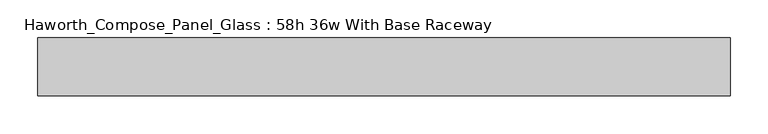
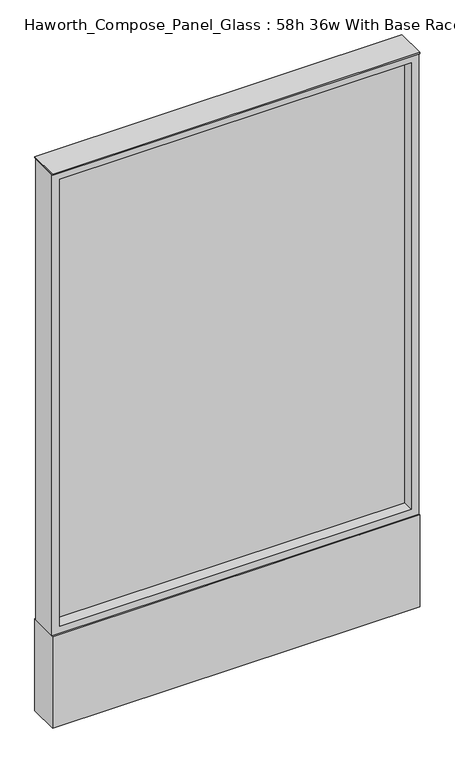
"""IFC4 building model written with IfcOpenShell, lengths in millimetres: furniture geometry, Haworth_Compose_Panel_Glass : 58h 36w With Base Raceway."""

from ifc_helpers import new_model, si_unit, point, frame, frame_2d, origin, origin_with_axes, place, context, project, spatial, polyline, circle_curve, trimmed, segment, composite_curve, outline, extrude, source, transform, mapped, element, save


def haworth_compose_panel_glass_58h_36w_with_base_raceway_823b5fac(model_context):
    return source(origin(), model_context, "Body", "SweptSolid", [
        extrude(outline(composite_curve([segment(trimmed(circle_curve(frame_2d((383.4402902, 0.0)), 12.7), [point((370.7402902, 0.0))], [point((396.1402902, 0.0))], False, "CARTESIAN"), True, "CONTINUOUS"), segment(trimmed(circle_curve(frame_2d((383.4402902, 0.0)), 12.7), [point((396.1402902, 0.0))], [point((370.7402902, 0.0))], False, "CARTESIAN"), True, "CONTINUOUS")], self_intersect=False)), origin_with_axes(), (0.0, 0.0, 1.0), 12.7),
        extrude(outline(composite_curve([segment(trimmed(circle_curve(frame_2d((-378.5597098, 0.0)), 12.7), [point((-391.2597098, 0.0))], [point((-365.8597098, 0.0))], False, "CARTESIAN"), True, "CONTINUOUS"), segment(trimmed(circle_curve(frame_2d((-378.5597098, 0.0)), 12.7), [point((-365.8597098, 0.0))], [point((-391.2597098, 0.0))], False, "CARTESIAN"), True, "CONTINUOUS")], self_intersect=False)), origin_with_axes(), (0.0, 0.0, 1.0), 12.7),
        extrude(outline(polyline([(440.5902902, -6.35), (-435.7097098, -6.35), (-435.7097098, 6.35), (440.5902902, 6.35), (440.5902902, -6.35)])), frame((0.0, 0.0, 273.05), z_axis=(0.0, 0.0, 1.0), x_axis=(1.0, 0.0, 0.0)), (0.0, 0.0, 1.0), 1174.75),
        extrude(outline(polyline([(1466.85, -454.7597098), (254.0, -454.7597098), (254.0, 459.6402902), (1466.85, 459.6402902), (1466.85, -454.7597098)]), holes=[polyline([(1447.8, 440.5902902), (273.05, 440.5902902), (273.05, -435.7097098), (1447.8, -435.7097098), (1447.8, 440.5902902)])]), frame((0.0, -34.925, 0.0), z_axis=(0.0, 1.0, 0.0), x_axis=(0.0, 0.0, 1.0)), (0.0, 0.0, 1.0), 69.85),
        extrude(outline(polyline([(-454.7597098, 38.1), (459.6402902, 38.1), (459.6402902, -38.1), (-454.7597098, -38.1), (-454.7597098, 38.1)])), frame((0.0, 0.0, 12.7), z_axis=(0.0, 0.0, 1.0), x_axis=(1.0, 0.0, 0.0)), (0.0, 0.0, 1.0), 241.3),
        extrude(outline(polyline([(-454.7597098, -38.1), (-454.7597098, 38.1), (459.6402902, 38.1), (459.6402902, -38.1), (-454.7597098, -38.1)])), frame((0.0, 0.0, 1466.85), z_axis=(0.0, 0.0, 1.0), x_axis=(1.0, 0.0, 0.0)), (0.0, 0.0, 1.0), 3.175),
    ])


if __name__ == "__main__":
    model = new_model("IFC4")
    model_context = context("Model", 3, world=origin())
    ifc_project = project(units=[si_unit("LENGTHUNIT", "METRE", prefix="MILLI")], contexts=[model_context])
    site = spatial("IfcSite", under=ifc_project)
    building = spatial("IfcBuilding", under=site)
    placement = place(None, origin())
    haworth_compose_panel_glass_58h_36w_with_base_raceway_shape = haworth_compose_panel_glass_58h_36w_with_base_raceway_823b5fac(model_context)
    element("IfcFurniture", 1, ObjectType="Haworth_Compose_Panel_Glass : 58h 36w With Base Raceway", at=placement, inside=building, context=model_context, shape_type="MappedRepresentation", body=[
        mapped(haworth_compose_panel_glass_58h_36w_with_base_raceway_shape, transform((0.0, 0.0, 0.0), x_axis=(1.0, 0.0, 0.0), y_axis=(0.0, 1.0, 0.0), z_axis=(0.0, 0.0, 1.0))),
    ])
    save(model, "model.ifc")
